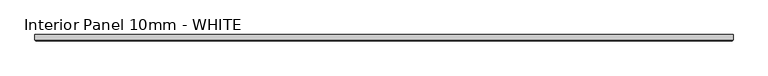
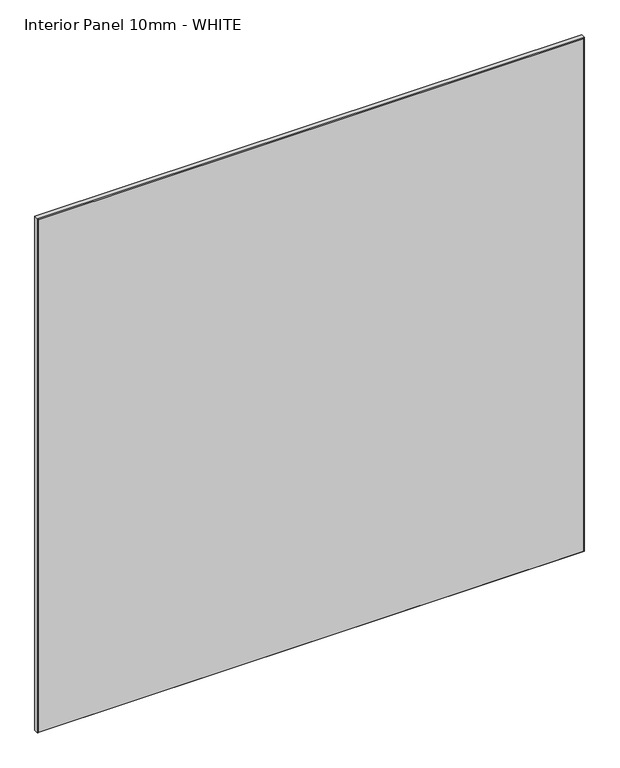
"""IFC4 building model written with IfcOpenShell, lengths in millimetres: proxy geometry, Interior Panel 10mm - WHITE."""

from ifc_helpers import new_model, si_unit, origin, place, context, project, spatial, faceted_brep, source, transform, mapped, element, save


def interior_panel_10mm_white_8f0b1a9f(model_context):
    return source(origin(), model_context, "Body", "Brep", [
        faceted_brep([(998.5375, 3.175, 1063.625), (-73.025, 3.175, 1063.625), (-73.025, -4.7625, 1063.625), (998.5375, -4.7625, 1063.625), (998.5375, 3.175, 0.0), (998.5375, -4.7625, 0.0), (-73.025, -4.7625, 0.0), (-73.025, 3.175, 0.0), (-71.4375, -6.35, 1062.0375), (-71.4375, -6.35, 1.5875), (996.95, -6.35, 1.5875), (996.95, -6.35, 1062.0375)], [[[0, 1, 2, 3]], [[4, 5, 6, 7]], [[1, 0, 4, 7]], [[2, 1, 7, 6]], [[8, 9, 10, 11]], [[0, 3, 5, 4]], [[2, 6, 9, 8]], [[5, 3, 11, 10]], [[3, 2, 8, 11]], [[6, 5, 10, 9]]]),
    ])


if __name__ == "__main__":
    model = new_model("IFC4")
    model_context = context("Model", 3, world=origin())
    ifc_project = project(units=[si_unit("LENGTHUNIT", "METRE", prefix="MILLI")], contexts=[model_context])
    site = spatial("IfcSite", under=ifc_project)
    building = spatial("IfcBuilding", under=site)
    placement = place(None, origin())
    interior_panel_10mm_white_shape = interior_panel_10mm_white_8f0b1a9f(model_context)
    element("IfcBuildingElementProxy", 1, Name="Interior Panel 10mm - WHITE", ObjectType="Interior Panel 10mm - WHITE", at=placement, inside=building, context=model_context, shape_type="MappedRepresentation", body=[
        mapped(interior_panel_10mm_white_shape, transform((0.0, 0.0, 0.0), x_axis=(1.0, 0.0, 0.0), y_axis=(0.0, 1.0, 0.0), z_axis=(0.0, 0.0, 1.0))),
    ])
    save(model, "model.ifc")
